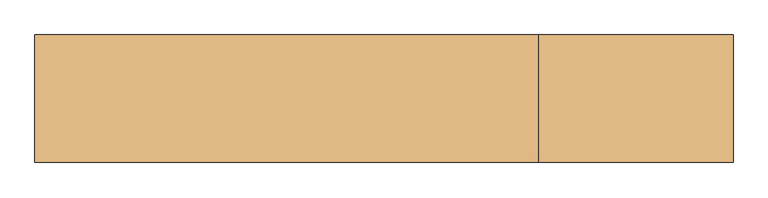
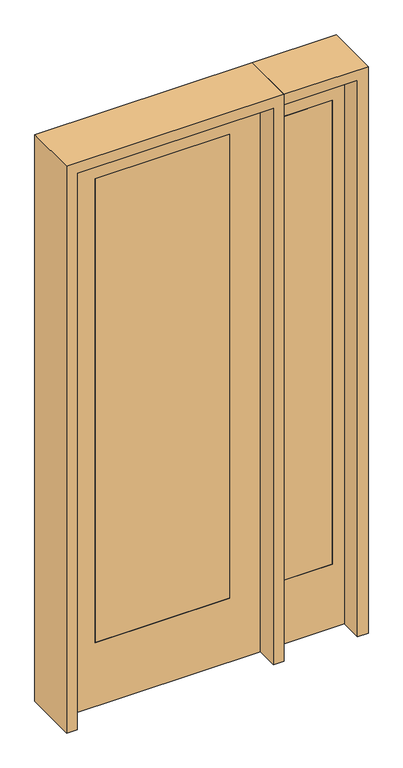
"""IFC4 building model written with IfcOpenShell, lengths in millimetres: door geometry."""

from ifc_helpers import new_model, si_unit, frame, origin, place, context, project, spatial, polyline, outline, extrude, source, transform, mapped, element, save


def door_b9088539(model_context):
    return source(origin(), model_context, "Body", "SweptSolid", [
        extrude(outline(polyline([(501.65, -20.6375), (501.65, 20.6375), (704.85, 20.6375), (704.85, -20.6375), (501.65, -20.6375)])), frame((0.0, 0.0, 279.4), z_axis=(0.0, 0.0, 1.0), x_axis=(1.0, 0.0, 0.0)), (0.0, 0.0, 1.0), 2032.0),
        extrude(outline(polyline([(0.0, 755.65), (2438.4, 755.65), (2438.4, 450.85), (0.0, 450.85), (0.0, 755.65)]), holes=[polyline([(2311.4, 501.65), (2311.4, 704.85), (279.4, 704.85), (279.4, 501.65), (2311.4, 501.65)])]), frame((0.0, -20.6375, 0.0), z_axis=(0.0, 1.0, 0.0), x_axis=(0.0, 0.0, 1.0)), (0.0, 0.0, 1.0), 41.275),
        extrude(outline(polyline([(2438.4, 406.4), (2438.4, -406.4), (0.0, -406.4), (0.0, 406.4), (2438.4, 406.4)]), holes=[polyline([(279.4, 279.4), (279.4, -279.4), (2311.4, -279.4), (2311.4, 279.4), (279.4, 279.4)])]), frame((0.0, -20.6375, 0.0), z_axis=(0.0, 1.0, 0.0), x_axis=(0.0, 0.0, 1.0)), (0.0, 0.0, 1.0), 41.275),
        extrude(outline(polyline([(279.4, -20.6375), (-279.4, -20.6375), (-279.4, 20.6375), (279.4, 20.6375), (279.4, -20.6375)])), frame((0.0, 0.0, 279.4), z_axis=(0.0, 0.0, 1.0), x_axis=(1.0, 0.0, 0.0)), (0.0, 0.0, 1.0), 2032.0),
        extrude(outline(polyline([(2482.85, -450.85), (0.0, -450.85), (0.0, -406.4), (2438.4, -406.4), (2438.4, 406.4), (0.0, 406.4), (0.0, 450.85), (2482.85, 450.85), (2482.85, -450.85)])), frame((0.0, -114.3, 0.0), z_axis=(0.0, 1.0, 0.0), x_axis=(0.0, 0.0, 1.0)), (0.0, 0.0, 1.0), 228.6),
        extrude(outline(polyline([(0.0, 755.65), (0.0, 800.1), (2482.85, 800.1), (2482.85, 450.85), (2438.4, 450.85), (2438.4, 755.65), (0.0, 755.65)])), frame((0.0, -114.3, 0.0), z_axis=(0.0, 1.0, 0.0), x_axis=(0.0, 0.0, 1.0)), (0.0, 0.0, 1.0), 228.6),
    ])


if __name__ == "__main__":
    model = new_model("IFC4")
    model_context = context("Model", 3, world=origin())
    ifc_project = project(units=[si_unit("LENGTHUNIT", "METRE", prefix="MILLI")], contexts=[model_context])
    site = spatial("IfcSite", under=ifc_project)
    building = spatial("IfcBuilding", under=site)
    placement = place(None, origin())
    door_shape = door_b9088539(model_context)
    element("IfcDoor", 1, at=placement, inside=building, context=model_context, shape_type="MappedRepresentation", body=[
        mapped(door_shape, transform((0.0, 0.0, 0.0), x_axis=(1.0, 0.0, 0.0), y_axis=(0.0, 1.0, 0.0), z_axis=(0.0, 0.0, 1.0))),
    ])
    save(model, "model.ifc")
